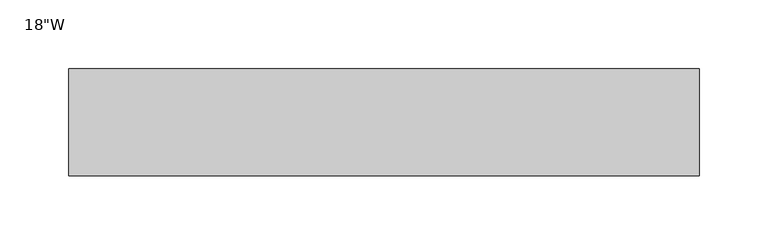
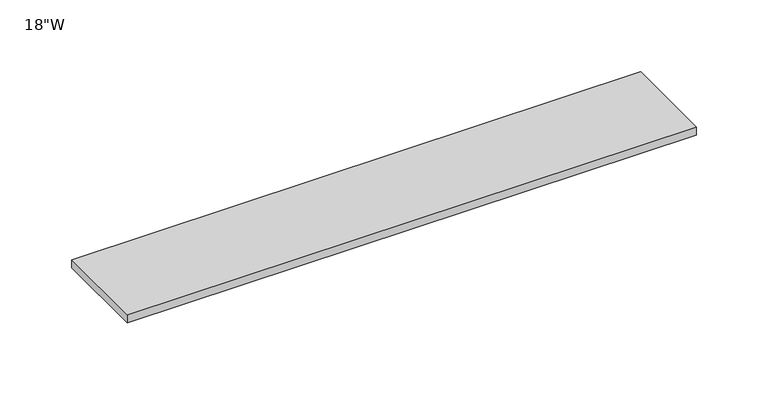
"""IFC4 building model written with IfcOpenShell, lengths in millimetres: furniture geometry."""

import ifcopenshell
import ifcopenshell.guid

model = None  # the IFC model being written
_history = None  # IfcOwnerHistory: only IFC2X3 demands one
_inside = {}  # id of a spatial element -> (the spatial element, [elements in it])
_under = {}  # id of a project, library or spatial element -> (it, [spatial elements below it])
_declared = {}  # id of a project -> (the project, [libraries it declares])
_typed = {}  # id of a type object -> (the type object, [elements of that type])
_made_of = {}  # id of a material, layer set ... -> (it, [elements and type objects made of it])


def new_model(schema):
    """Start an empty IFC model of exactly this schema.

    Asked for "IFC4X3", IfcOpenShell would pick the latest addendum, in which some entities
    have other attributes; the version numbers below select the first issue.
    IFC2X3 requires an IfcOwnerHistory on every rooted entity: one is made here for all.
    """
    global model, _history
    if schema == "IFC4X3":
        model = ifcopenshell.file(schema_version=(4, 3, 0, 0))
    else:
        model = ifcopenshell.file(schema=schema)
    _inside.clear()
    _under.clear()
    _declared.clear()
    _typed.clear()
    _made_of.clear()
    _history = None
    if model.schema == "IFC2X3":
        org = make("IfcOrganization", Name="unknown")
        user = make(
            "IfcPersonAndOrganization",
            ThePerson=make("IfcPerson", FamilyName="unknown"),
            TheOrganization=org,
        )
        app = make(
            "IfcApplication",
            ApplicationDeveloper=org,
            Version="unknown",
            ApplicationFullName="unknown",
            ApplicationIdentifier="unknown",
        )
        _history = make(
            "IfcOwnerHistory",
            OwningUser=user,
            OwningApplication=app,
            ChangeAction="ADDED",
            CreationDate=0,
        )
    return model


def make(cls, **values):
    """One entity of the class cls with the attributes given. An attribute that is None is left unset."""
    return model.create_entity(
        cls, **{name: value for name, value in values.items() if value is not None}
    )


def rooted(cls, **values):
    """An entity with a GlobalId (a new one), such as an element, a storey or a relation."""
    return make(cls, GlobalId=ifcopenshell.guid.new(), OwnerHistory=_history, **values)


def si_unit(unit_type, name, prefix=None):
    """IfcSIUnit, for example si_unit("LENGTHUNIT", "METRE", prefix="MILLI")."""
    return make("IfcSIUnit", UnitType=unit_type, Prefix=prefix, Name=name)


def assignment(units):
    """IfcUnitAssignment: the units of a project."""
    return None if units is None else make("IfcUnitAssignment", Units=units)


def point(xyz):
    """IfcCartesianPoint."""
    return None if xyz is None else make("IfcCartesianPoint", Coordinates=xyz)


def direction(xyz):
    """IfcDirection."""
    return None if xyz is None else make("IfcDirection", DirectionRatios=xyz)


def frame(location, z_axis=None, x_axis=None):
    """IfcAxis2Placement3D, a coordinate frame: its origin and axes. An axis left out is left unset."""
    return make(
        "IfcAxis2Placement3D",
        Location=point(location),
        Axis=direction(z_axis),
        RefDirection=direction(x_axis),
    )


def origin():
    """The frame at (0, 0, 0) with its axes left unset."""
    return frame((0.0, 0.0, 0.0))


def place(relative_to, where):
    """IfcLocalPlacement: puts the frame where relative to a parent placement (None: the world)."""
    return make(
        "IfcLocalPlacement", PlacementRelTo=relative_to, RelativePlacement=where
    )


def context(
    kind, dimensions, precision=None, world=None, true_north=None, identifier=None
):
    """IfcGeometricRepresentationContext, for example the 3D "Model" context."""
    return make(
        "IfcGeometricRepresentationContext",
        ContextIdentifier=identifier,
        ContextType=kind,
        CoordinateSpaceDimension=dimensions,
        Precision=precision,
        WorldCoordinateSystem=world,
        TrueNorth=true_north,
    )


def project(units=None, contexts=None):
    """IfcProject with its units and contexts."""
    return rooted(
        "IfcProject",
        Name="project",
        RepresentationContexts=contexts,
        UnitsInContext=assignment(units),
    )


def spatial(cls, under=None, at=None, **own):
    """A site, building, storey or space (cls), placed at a placement, below another one or the project."""
    s = rooted(cls, ObjectPlacement=at, **own)
    if under is not None:
        _under.setdefault(under.id(), (under, []))[1].append(s)
    return s


def polyline(points):
    """IfcPolyline through the points."""
    return make("IfcPolyline", Points=[point(p) for p in points])


def outline(outer, holes=None, kind="AREA"):
    """IfcArbitraryClosedProfileDef: a profile drawn as a closed curve; with holes, ...WithVoids."""
    if holes is None:
        return make("IfcArbitraryClosedProfileDef", ProfileType=kind, OuterCurve=outer)
    return make(
        "IfcArbitraryProfileDefWithVoids",
        ProfileType=kind,
        OuterCurve=outer,
        InnerCurves=holes,
    )


def extrude(swept, where, along, depth):
    """IfcExtrudedAreaSolid: the profile swept, set in the frame where, extruded along a direction by depth."""
    return make(
        "IfcExtrudedAreaSolid",
        SweptArea=swept,
        Position=where,
        ExtrudedDirection=direction(along),
        Depth=depth,
    )


def shape(context_of_items, identifier, shape_type, items):
    """IfcShapeRepresentation: the items that make up one representation, for example the "Body"."""
    return make(
        "IfcShapeRepresentation",
        ContextOfItems=context_of_items,
        RepresentationIdentifier=identifier,
        RepresentationType=shape_type,
        Items=items,
    )


def source(mapping_origin, context_of_items, identifier, shape_type, items):
    """IfcRepresentationMap: a shape defined once, which mapped items show again and again."""
    return make(
        "IfcRepresentationMap",
        MappingOrigin=mapping_origin,
        MappedRepresentation=shape(context_of_items, identifier, shape_type, items),
    )


def transform(
    local_origin,
    x_axis=None,
    y_axis=None,
    z_axis=None,
    scale=None,
    scale2=None,
    scale3=None,
    uniform=True,
):
    """IfcCartesianTransformationOperator3D, or its non-uniform kind. x_axis, y_axis, z_axis: its Axis1, 2, 3."""
    if uniform:
        return make(
            "IfcCartesianTransformationOperator3D",
            Axis1=direction(x_axis),
            Axis2=direction(y_axis),
            LocalOrigin=point(local_origin),
            Scale=scale,
            Axis3=direction(z_axis),
        )
    return make(
        "IfcCartesianTransformationOperator3DnonUniform",
        Axis1=direction(x_axis),
        Axis2=direction(y_axis),
        LocalOrigin=point(local_origin),
        Scale=scale,
        Axis3=direction(z_axis),
        Scale2=scale2,
        Scale3=scale3,
    )


def mapped(mapping_source, mapping_target):
    """IfcMappedItem: shows the shape of a source again, moved by a transform."""
    return make(
        "IfcMappedItem", MappingSource=mapping_source, MappingTarget=mapping_target
    )


def made_of(thing, what):
    """Note that an element or type object is made of a material, layer set ...; save() writes the relation."""
    if what is not None:
        _made_of.setdefault(what.id(), (what, []))[1].append(thing)
    return thing


def element(
    cls,
    number,
    at=None,
    inside=None,
    cuts=None,
    type_object=None,
    material=None,
    context=None,
    identifier="Body",
    shape_type=None,
    held_by="IfcProductDefinitionShape",
    body=None,
    shapes=None,
    **own,
):
    """One element of the class cls, such as IfcWall. Its Tag is "e" and its number.

    at: its placement. inside: the storey or other place that contains it. cuts: it is an
    opening in that element (IfcRelVoidsElement). A single representation is given by context,
    identifier, shape_type and body (its items); several are given by shapes. held_by: the class
    of the entity that holds the representations. save() writes the other relations.
    """
    e = rooted(cls, Tag="e%d" % number, ObjectPlacement=at, **own)
    if body is not None:
        shapes = [shape(context, identifier, shape_type, body)]
    if shapes is not None:
        e.Representation = make(held_by, Representations=shapes)
    if inside is not None:
        _inside.setdefault(inside.id(), (inside, []))[1].append(e)
    if cuts is not None:
        rooted(
            "IfcRelVoidsElement", RelatingBuildingElement=cuts, RelatedOpeningElement=e
        )
    if type_object is not None:
        _typed.setdefault(type_object.id(), (type_object, []))[1].append(e)
    return made_of(e, material)


def aggregate(whole, parts):
    """IfcRelAggregates: a whole, such as a stair, and the parts it consists of."""
    return rooted("IfcRelAggregates", RelatingObject=whole, RelatedObjects=parts)


def save(model, path):
    """Write the relations noted so far, then the file.

    IfcRelAggregates (storeys below a building ...), IfcRelContainedInSpatialStructure (elements
    in a storey), IfcRelDefinesByType, IfcRelAssociatesMaterial and IfcRelDeclares: one each for
    every whole, place, type object, material and project.
    """
    for whole, parts in _under.values():
        aggregate(whole, parts)
    for where, things in _inside.values():
        rooted(
            "IfcRelContainedInSpatialStructure",
            RelatedElements=things,
            RelatingStructure=where,
        )
    for kind, things in _typed.values():
        rooted("IfcRelDefinesByType", RelatedObjects=things, RelatingType=kind)
    for what, things in _made_of.values():
        rooted("IfcRelAssociatesMaterial", RelatedObjects=things, RelatingMaterial=what)
    for by, libraries in _declared.values():
        rooted("IfcRelDeclares", RelatingContext=by, RelatedDefinitions=libraries)
    model.write(path)


def furniture_93a5dae1(model_context):
    return source(origin(), model_context, "Body", "SweptSolid", [
        extrude(outline(polyline([(172.61205, 38.735), (172.61205, -38.735), (-284.58795, -38.735), (-284.58795, 38.735), (172.61205, 38.735)])), frame((0.0, 0.0, 1048.766), z_axis=(0.0, 0.0, 1.0), x_axis=(1.0, 0.0, 0.0)), (0.0, 0.0, 1.0), 6.858),
    ])


if __name__ == "__main__":
    model = new_model("IFC4")
    model_context = context("Model", 3, world=origin())
    ifc_project = project(units=[si_unit("LENGTHUNIT", "METRE", prefix="MILLI")], contexts=[model_context])
    site = spatial("IfcSite", under=ifc_project)
    building = spatial("IfcBuilding", under=site)
    placement = place(None, origin())
    furniture_shape = furniture_93a5dae1(model_context)
    element("IfcFurniture", 1, ObjectType="18\"W", at=placement, inside=building, context=model_context, shape_type="MappedRepresentation", body=[
        mapped(furniture_shape, transform((0.0, 0.0, 0.0), x_axis=(1.0, 0.0, 0.0), y_axis=(0.0, 1.0, 0.0), z_axis=(0.0, 0.0, 1.0))),
    ])
    save(model, "model.ifc")
